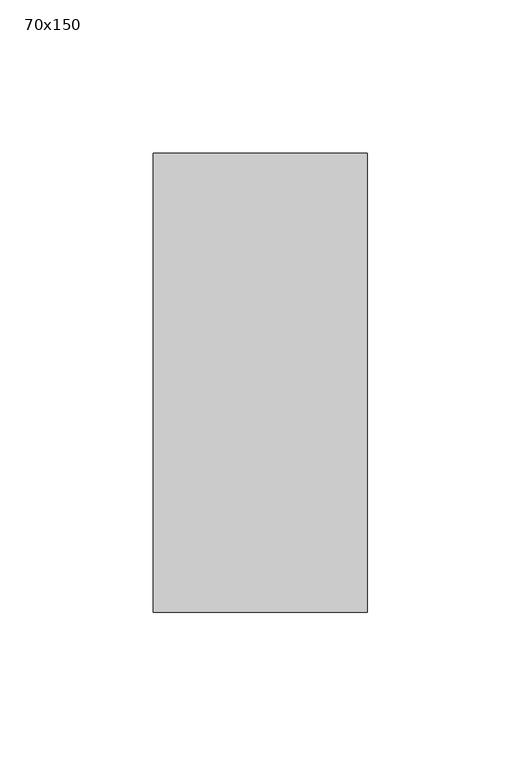
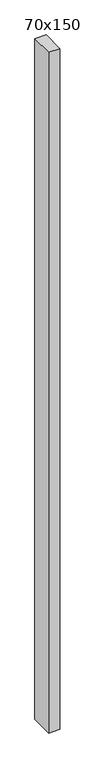
"""IFC4 building model written with IfcOpenShell, lengths in millimetres: member geometry, 70x150."""

from ifc_helpers import new_model, si_unit, frame, origin, place, context, project, spatial, polyline, outline, extrude, source, transform, mapped, element, save


def member_70x150_003f591b(model_context):
    return source(origin(), model_context, "Body", "SweptSolid", [
        extrude(outline(polyline([(35.0, 75.0), (35.0, -75.0), (-35.0, -75.0), (-35.0, 75.0), (35.0, 75.0)])), frame((0.0, 0.0, -4500.0), z_axis=(0.0, 0.0, 1.0), x_axis=(1.0, 0.0, 0.0)), (0.0, 0.0, 1.0), 4500.0),
    ])


if __name__ == "__main__":
    model = new_model("IFC4")
    model_context = context("Model", 3, world=origin())
    ifc_project = project(units=[si_unit("LENGTHUNIT", "METRE", prefix="MILLI")], contexts=[model_context])
    site = spatial("IfcSite", under=ifc_project)
    building = spatial("IfcBuilding", under=site)
    placement = place(None, origin())
    member_70x150_shape = member_70x150_003f591b(model_context)
    element("IfcMember", 1, ObjectType="70x150", at=placement, inside=building, context=model_context, shape_type="MappedRepresentation", body=[
        mapped(member_70x150_shape, transform((0.0, 0.0, 0.0), x_axis=(1.0, 0.0, 0.0), y_axis=(0.0, 1.0, 0.0), z_axis=(0.0, 0.0, 1.0))),
    ])
    save(model, "model.ifc")
